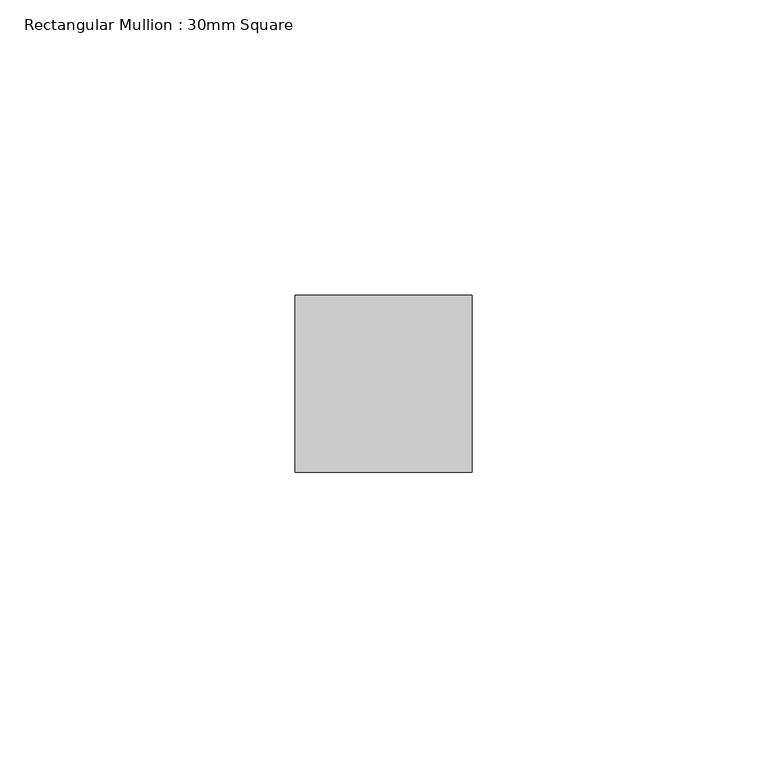
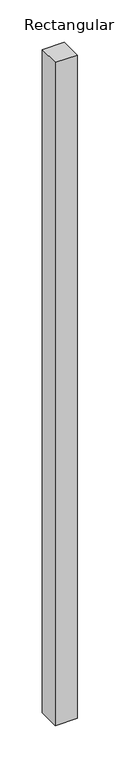
"""IFC4 building model written with IfcOpenShell, lengths in millimetres: member geometry, Rectangular Mullion : 30mm Square."""

from ifc_helpers import new_model, si_unit, frame, origin, place, context, project, spatial, polyline, outline, extrude, source, transform, mapped, element, save


def rectangular_mullion_30mm_square_7b7a56d5(model_context):
    return source(origin(), model_context, "Body", "SweptSolid", [
        extrude(outline(polyline([(0.0, 15.0), (0.0, -15.0), (-30.0, -15.0), (-30.0, 15.0), (0.0, 15.0)])), frame((0.0, 0.0, -954.0188131), z_axis=(0.0, 0.0, 1.0), x_axis=(1.0, 0.0, 0.0)), (0.0, 0.0, 1.0), 954.0188131),
    ])


if __name__ == "__main__":
    model = new_model("IFC4")
    model_context = context("Model", 3, world=origin())
    ifc_project = project(units=[si_unit("LENGTHUNIT", "METRE", prefix="MILLI")], contexts=[model_context])
    site = spatial("IfcSite", under=ifc_project)
    building = spatial("IfcBuilding", under=site)
    placement = place(None, origin())
    rectangular_mullion_30mm_square_shape = rectangular_mullion_30mm_square_7b7a56d5(model_context)
    element("IfcMember", 1, ObjectType="Rectangular Mullion : 30mm Square", at=placement, inside=building, context=model_context, shape_type="MappedRepresentation", body=[
        mapped(rectangular_mullion_30mm_square_shape, transform((0.0, 0.0, 0.0), x_axis=(1.0, 0.0, 0.0), y_axis=(0.0, 1.0, 0.0), z_axis=(0.0, 0.0, 1.0))),
    ])
    save(model, "model.ifc")
